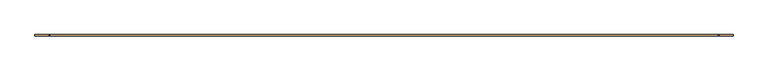
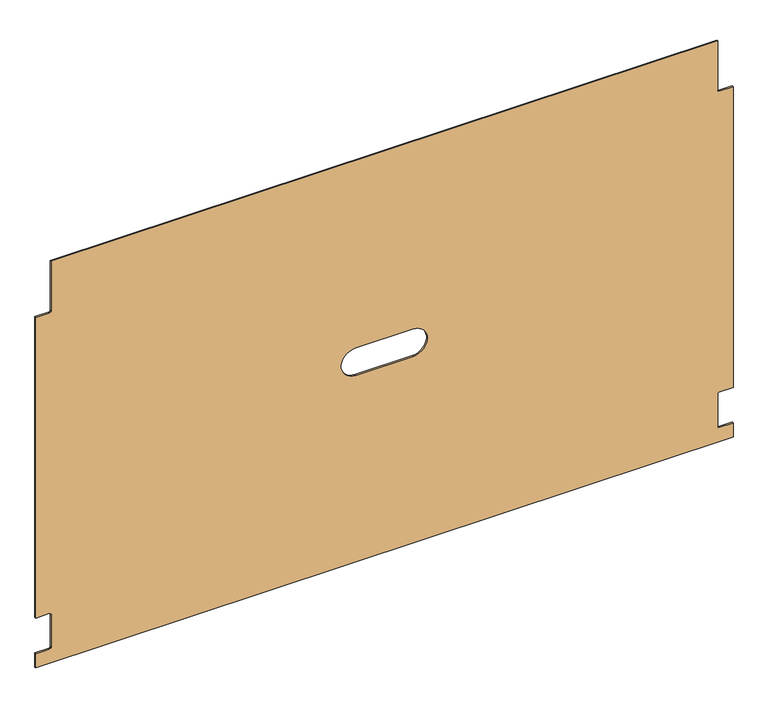
"""IFC4 building model written with IfcOpenShell, lengths in millimetres: door geometry."""

from ifc_helpers import new_model, si_unit, point, frame, frame_2d, origin, place, context, project, spatial, polyline, circle_curve, trimmed, segment, composite_curve, outline, extrude, source, transform, mapped, element, save


def door_7848fa86(model_context):
    return source(origin(), model_context, "Body", "SweptSolid", [
        extrude(outline(composite_curve([segment(trimmed(circle_curve(frame_2d((688.1316256, -489.4197171)), 3.175), [point((688.1316256, -486.2447171))], [point((684.9566256, -489.4197171))], True, "CARTESIAN"), True, "CONTINUOUS"), segment(polyline([(684.9566256, -489.4197171), (684.9566256, -513.6132171), (121.3520123, -513.6132171), (121.3520123, -489.4197171)]), True, "CONTINUOUS"), segment(trimmed(circle_curve(frame_2d((118.1770123, -489.4197171)), 3.175), [point((121.3520123, -489.4197171))], [point((118.1770123, -486.2447171))], True, "CARTESIAN"), True, "CONTINUOUS"), segment(polyline([(118.1770123, -486.2447171), (57.8520123, -486.2447171)]), True, "CONTINUOUS"), segment(trimmed(circle_curve(frame_2d((57.8520123, -489.4197171)), 3.175), [point((57.8520123, -486.2447171))], [point((54.6770123, -489.4197171))], True, "CARTESIAN"), True, "CONTINUOUS"), segment(polyline([(54.6770123, -489.4197171), (54.6770123, -513.6132171), (28.0705123, -513.6132171), (28.0705123, 721.9615304), (54.6770123, 721.9615304), (54.6770123, 697.7680304)]), True, "CONTINUOUS"), segment(trimmed(circle_curve(frame_2d((57.8520123, 697.7680304)), 3.175), [point((54.6770123, 697.7680304))], [point((57.8520123, 694.5930304))], True, "CARTESIAN"), True, "CONTINUOUS"), segment(polyline([(57.8520123, 694.5930304), (118.1770123, 694.5930304)]), True, "CONTINUOUS"), segment(trimmed(circle_curve(frame_2d((118.1770123, 697.7680304)), 3.175), [point((118.1770123, 694.5930304))], [point((121.3520123, 697.7680304))], True, "CARTESIAN"), True, "CONTINUOUS"), segment(polyline([(121.3520123, 697.7680304), (121.3520123, 721.9615304), (684.9566256, 721.9615304), (684.9566256, 697.7680304)]), True, "CONTINUOUS"), segment(trimmed(circle_curve(frame_2d((688.1316256, 697.7680304)), 3.175), [point((684.9566256, 697.7680304))], [point((688.1316256, 694.5930304))], True, "CARTESIAN"), True, "CONTINUOUS"), segment(polyline([(688.1316256, 694.5930304), (780.4566124, 694.5930304), (780.4566124, -486.2447171), (688.1316256, -486.2447171)]), True, "CONTINUOUS")], self_intersect=False), holes=[composite_curve([segment(polyline([(428.6793124, 53.3741567), (428.6793124, 154.9741567)]), True, "CONTINUOUS"), segment(trimmed(circle_curve(frame_2d((403.2793124, 154.9741567)), 25.4), [point((428.6793124, 154.9741567))], [point((377.8793124, 154.9741567))], True, "CARTESIAN"), True, "CONTINUOUS"), segment(polyline([(377.8793124, 154.9741567), (377.8793124, 53.3741567)]), True, "CONTINUOUS"), segment(trimmed(circle_curve(frame_2d((403.2793124, 53.3741567)), 25.4), [point((377.8793124, 53.3741567))], [point((428.6793124, 53.3741567))], True, "CARTESIAN"), True, "CONTINUOUS")], self_intersect=False)]), frame((0.0, 0.0, 0.0), z_axis=(0.0, 1.0, 0.0), x_axis=(0.0, 0.0, 1.0)), (0.0, 0.0, 1.0), 2.2388125),
    ])


if __name__ == "__main__":
    model = new_model("IFC4")
    model_context = context("Model", 3, world=origin())
    ifc_project = project(units=[si_unit("LENGTHUNIT", "METRE", prefix="MILLI")], contexts=[model_context])
    site = spatial("IfcSite", under=ifc_project)
    building = spatial("IfcBuilding", under=site)
    placement = place(None, origin())
    door_shape = door_7848fa86(model_context)
    element("IfcDoor", 1, at=placement, inside=building, context=model_context, shape_type="MappedRepresentation", body=[
        mapped(door_shape, transform((0.0, 0.0, 0.0), x_axis=(1.0, 0.0, 0.0), y_axis=(0.0, 1.0, 0.0), z_axis=(0.0, 0.0, 1.0))),
    ])
    save(model, "model.ifc")
